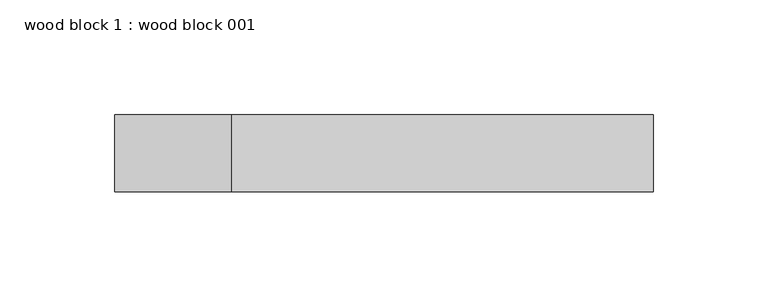
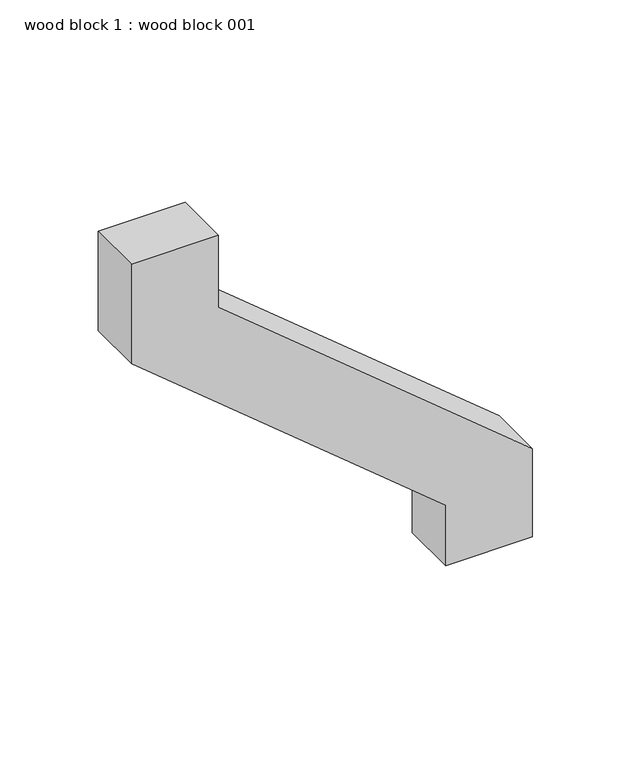
"""IFC4 building model written with IfcOpenShell, lengths in millimetres: proxy geometry, wood block 1 : wood block 001."""

from ifc_helpers import new_model, si_unit, frame, origin, place, context, project, spatial, polyline, outline, extrude, source, transform, mapped, element, save


def wood_block_1_wood_block_001_ec7fa360(model_context):
    return source(origin(), model_context, "Body", "SweptSolid", [
        extrude(outline(polyline([(2598.811792, 39320.9007813), (2561.3724609, 39320.9007813), (2561.3724609, 39371.7007813), (2616.0274896, 39371.7007813), (2767.9645171, 39187.6537385), (2812.6145362, 39187.6537385), (2812.6145362, 39136.8537385), (2750.7488195, 39136.8537385), (2598.811792, 39320.9007813)])), frame((0.0, -24374.4534304, 0.0), z_axis=(0.0, 1.0, 0.0), x_axis=(0.0, 0.0, 1.0)), (0.0, 0.0, 1.0), 33.6714644),
    ])


if __name__ == "__main__":
    model = new_model("IFC4")
    model_context = context("Model", 3, world=origin())
    ifc_project = project(units=[si_unit("LENGTHUNIT", "METRE", prefix="MILLI")], contexts=[model_context])
    site = spatial("IfcSite", under=ifc_project)
    building = spatial("IfcBuilding", under=site)
    placement = place(None, origin())
    wood_block_1_wood_block_001_shape = wood_block_1_wood_block_001_ec7fa360(model_context)
    element("IfcBuildingElementProxy", 1, Name="wood block 1 : wood block 001", ObjectType="wood block 1 : wood block 001", at=placement, inside=building, context=model_context, shape_type="MappedRepresentation", body=[
        mapped(wood_block_1_wood_block_001_shape, transform((0.0, 0.0, 0.0), x_axis=(1.0, 0.0, 0.0), y_axis=(0.0, 1.0, 0.0), z_axis=(0.0, 0.0, 1.0))),
    ])
    save(model, "model.ifc")
